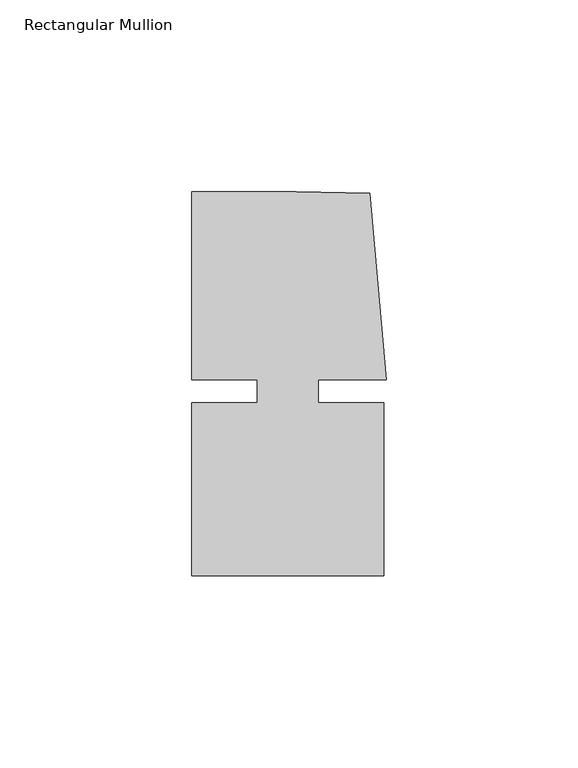
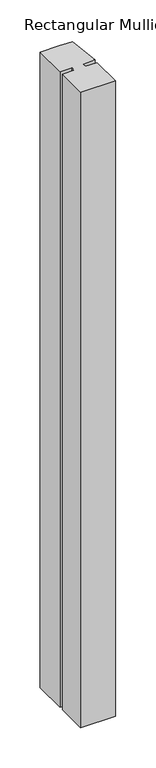
"""IFC4 building model written with IfcOpenShell, lengths in millimetres: member geometry, Rectangular Mullion."""

from ifc_helpers import new_model, si_unit, frame, origin, place, context, project, spatial, polyline, outline, extrude, source, transform, mapped, element, save


def rectangular_mullion_3d16a173(model_context):
    return source(origin(), model_context, "Body", "SweptSolid", [
        extrude(outline(polyline([(8.0004917, -3.0000287), (25.00003, -3.0000271), (25.0000344, -48.0000271), (-24.9999656, -48.000032), (-24.99997, -3.000032), (-8.0004317, -3.0000303), (-8.0004323, 2.999987), (-24.9999706, 2.9999853), (-24.9999754, 51.999968), (2.2554581, 51.9999707), (21.3623265, 51.5846059), (25.6129344, 2.9999903), (8.0004911, 2.9999885), (8.0004917, -3.0000287)])), frame((0.0, 0.0, -961.3330107), z_axis=(0.0, 0.0, 1.0), x_axis=(1.0, 0.0, 0.0)), (0.0, 0.0, 1.0), 961.3330107),
    ])


if __name__ == "__main__":
    model = new_model("IFC4")
    model_context = context("Model", 3, world=origin())
    ifc_project = project(units=[si_unit("LENGTHUNIT", "METRE", prefix="MILLI")], contexts=[model_context])
    site = spatial("IfcSite", under=ifc_project)
    building = spatial("IfcBuilding", under=site)
    placement = place(None, origin())
    rectangular_mullion_shape = rectangular_mullion_3d16a173(model_context)
    element("IfcMember", 1, ObjectType="Rectangular Mullion", at=placement, inside=building, context=model_context, shape_type="MappedRepresentation", body=[
        mapped(rectangular_mullion_shape, transform((0.0, 0.0, 0.0), x_axis=(1.0, 0.0, 0.0), y_axis=(0.0, 1.0, 0.0), z_axis=(0.0, 0.0, 1.0))),
    ])
    save(model, "model.ifc")
